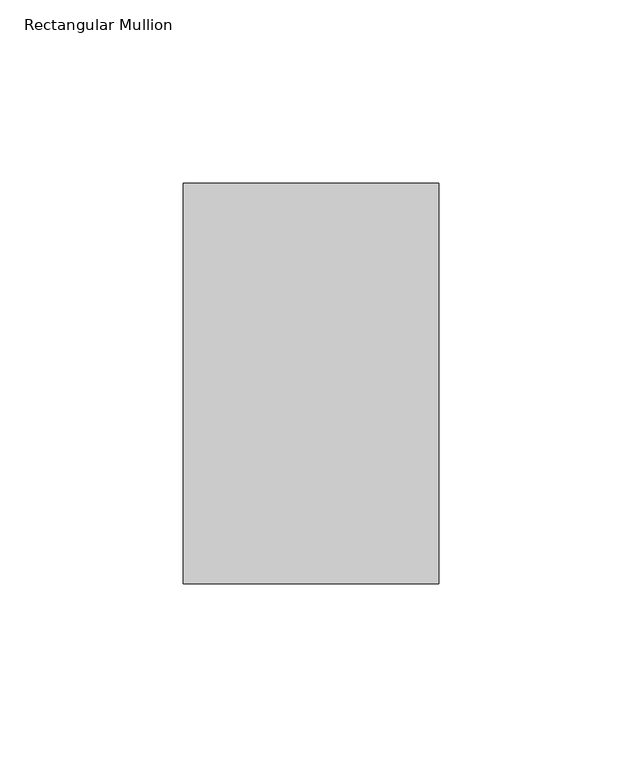
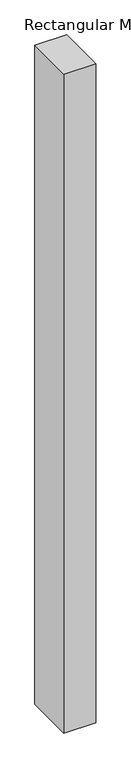
"""IFC4 building model written with IfcOpenShell, lengths in millimetres: member geometry, Rectangular Mullion."""

from ifc_helpers import new_model, si_unit, frame, origin, place, context, project, spatial, polyline, outline, extrude, source, transform, mapped, element, save


def rectangular_mullion_adc60cfa(model_context):
    return source(origin(), model_context, "Body", "SweptSolid", [
        extrude(outline(polyline([(0.0, -76.99375), (-69.85, -76.99375), (-69.85, 32.54375), (0.0, 32.54375), (0.0, -76.99375)])), frame((0.0, 0.0, -1524.0), z_axis=(0.0, 0.0, 1.0), x_axis=(1.0, 0.0, 0.0)), (0.0, 0.0, 1.0), 1524.0),
    ])


if __name__ == "__main__":
    model = new_model("IFC4")
    model_context = context("Model", 3, world=origin())
    ifc_project = project(units=[si_unit("LENGTHUNIT", "METRE", prefix="MILLI")], contexts=[model_context])
    site = spatial("IfcSite", under=ifc_project)
    building = spatial("IfcBuilding", under=site)
    placement = place(None, origin())
    rectangular_mullion_shape = rectangular_mullion_adc60cfa(model_context)
    element("IfcMember", 1, ObjectType="Rectangular Mullion", at=placement, inside=building, context=model_context, shape_type="MappedRepresentation", body=[
        mapped(rectangular_mullion_shape, transform((0.0, 0.0, 0.0), x_axis=(1.0, 0.0, 0.0), y_axis=(0.0, 1.0, 0.0), z_axis=(0.0, 0.0, 1.0))),
    ])
    save(model, "model.ifc")
